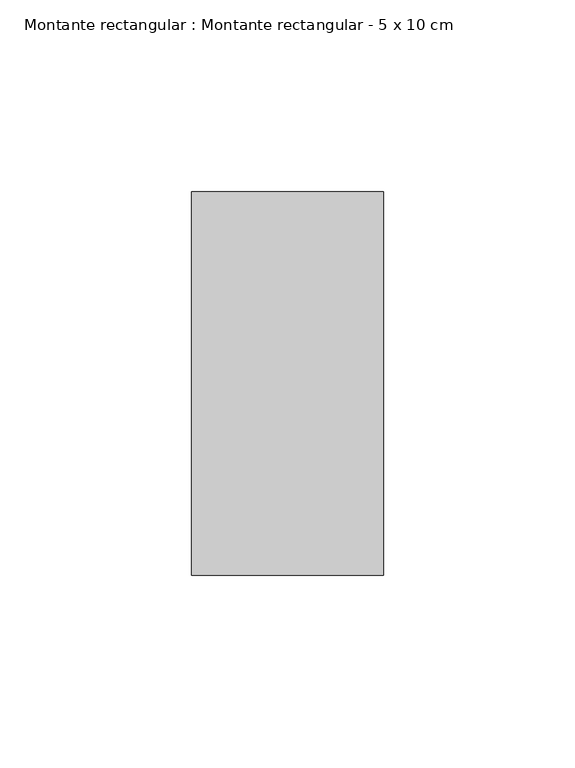
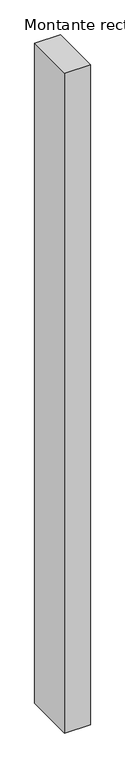
"""IFC4 building model written with IfcOpenShell, lengths in millimetres: member geometry, Montante rectangular : Montante rectangular - 5 x 10 cm."""

from ifc_helpers import new_model, si_unit, frame, origin, place, context, project, spatial, polyline, outline, extrude, source, transform, mapped, element, save


def montante_rectangular_montante_rectangular_5_x_10_cm_e34c8867(model_context):
    return source(origin(), model_context, "Body", "SweptSolid", [
        extrude(outline(polyline([(25.0, 50.0), (25.0, -50.0), (-25.0, -50.0), (-25.0, 50.0), (25.0, 50.0)])), frame((0.0, 0.0, -1350.5), z_axis=(0.0, 0.0, 1.0), x_axis=(1.0, 0.0, 0.0)), (0.0, 0.0, 1.0), 1350.5),
    ])


if __name__ == "__main__":
    model = new_model("IFC4")
    model_context = context("Model", 3, world=origin())
    ifc_project = project(units=[si_unit("LENGTHUNIT", "METRE", prefix="MILLI")], contexts=[model_context])
    site = spatial("IfcSite", under=ifc_project)
    building = spatial("IfcBuilding", under=site)
    placement = place(None, origin())
    montante_rectangular_montante_rectangular_5_x_10_cm_shape = montante_rectangular_montante_rectangular_5_x_10_cm_e34c8867(model_context)
    element("IfcMember", 1, ObjectType="Montante rectangular : Montante rectangular - 5 x 10 cm", at=placement, inside=building, context=model_context, shape_type="MappedRepresentation", body=[
        mapped(montante_rectangular_montante_rectangular_5_x_10_cm_shape, transform((0.0, 0.0, 0.0), x_axis=(1.0, 0.0, 0.0), y_axis=(0.0, 1.0, 0.0), z_axis=(0.0, 0.0, 1.0))),
    ])
    save(model, "model.ifc")
